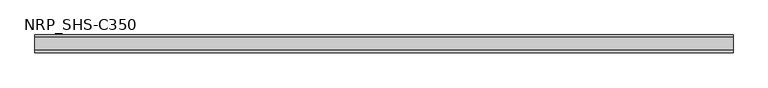
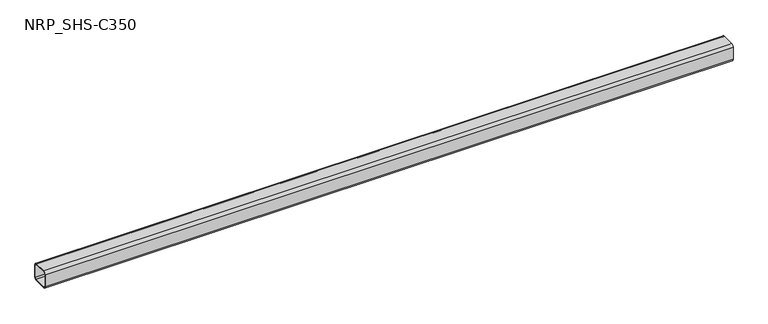
"""IFC4 building model written with IfcOpenShell, lengths in millimetres: member geometry, NRP_SHS-C350."""

from ifc_helpers import new_model, si_unit, point, frame, frame_2d, origin, place, context, project, spatial, polyline, circle_curve, trimmed, segment, composite_curve, outline, extrude, source, transform, mapped, element, save


def nrp_shs_c350_e7e4c6d6(model_context):
    return source(origin(), model_context, "Body", "SweptSolid", [
        extrude(outline(composite_curve([segment(trimmed(circle_curve(frame_2d((-32.0, 32.0)), 12.5), [point((-44.5, 32.0))], [point((-32.0, 44.5))], False, "CARTESIAN"), True, "CONTINUOUS"), segment(polyline([(-32.0, 44.5), (32.0, 44.5)]), True, "CONTINUOUS"), segment(trimmed(circle_curve(frame_2d((32.0, 32.0)), 12.5), [point((32.0, 44.5))], [point((44.5, 32.0))], False, "CARTESIAN"), True, "CONTINUOUS"), segment(polyline([(44.5, 32.0), (44.5, -32.0)]), True, "CONTINUOUS"), segment(trimmed(circle_curve(frame_2d((32.0, -32.0)), 12.5), [point((44.5, -32.0))], [point((32.0, -44.5))], False, "CARTESIAN"), True, "CONTINUOUS"), segment(polyline([(32.0, -44.5), (-32.0, -44.5)]), True, "CONTINUOUS"), segment(trimmed(circle_curve(frame_2d((-32.0, -32.0)), 12.5), [point((-32.0, -44.5))], [point((-44.5, -32.0))], False, "CARTESIAN"), True, "CONTINUOUS"), segment(polyline([(-44.5, -32.0), (-44.5, 32.0)]), True, "CONTINUOUS")], self_intersect=False), holes=[composite_curve([segment(polyline([(32.0, 39.5), (-32.0, 39.5)]), True, "CONTINUOUS"), segment(trimmed(circle_curve(frame_2d((-32.0, 32.0)), 7.5), [point((-32.0, 39.5))], [point((-39.5, 32.0))], True, "CARTESIAN"), True, "CONTINUOUS"), segment(polyline([(-39.5, 32.0), (-39.5, -32.0)]), True, "CONTINUOUS"), segment(trimmed(circle_curve(frame_2d((-32.0, -32.0)), 7.5), [point((-39.5, -32.0))], [point((-32.0, -39.5))], True, "CARTESIAN"), True, "CONTINUOUS"), segment(polyline([(-32.0, -39.5), (32.0, -39.5)]), True, "CONTINUOUS"), segment(trimmed(circle_curve(frame_2d((32.0, -32.0)), 7.5), [point((32.0, -39.5))], [point((39.5, -32.0))], True, "CARTESIAN"), True, "CONTINUOUS"), segment(polyline([(39.5, -32.0), (39.5, 32.0)]), True, "CONTINUOUS"), segment(trimmed(circle_curve(frame_2d((32.0, 32.0)), 7.5), [point((39.5, 32.0))], [point((32.0, 39.5))], True, "CARTESIAN"), True, "CONTINUOUS")], self_intersect=False)]), frame((-1740.0, 0.0, 0.0), z_axis=(1.0, 0.0, 0.0), x_axis=(0.0, 1.0, 0.0)), (0.0, 0.0, 1.0), 3474.0),
    ])


if __name__ == "__main__":
    model = new_model("IFC4")
    model_context = context("Model", 3, world=origin())
    ifc_project = project(units=[si_unit("LENGTHUNIT", "METRE", prefix="MILLI")], contexts=[model_context])
    site = spatial("IfcSite", under=ifc_project)
    building = spatial("IfcBuilding", under=site)
    placement = place(None, origin())
    nrp_shs_c350_shape = nrp_shs_c350_e7e4c6d6(model_context)
    element("IfcMember", 1, ObjectType="NRP_SHS-C350", at=placement, inside=building, context=model_context, shape_type="MappedRepresentation", body=[
        mapped(nrp_shs_c350_shape, transform((0.0, 0.0, 0.0), x_axis=(1.0, 0.0, 0.0), y_axis=(0.0, 1.0, 0.0), z_axis=(0.0, 0.0, 1.0))),
    ])
    save(model, "model.ifc")
